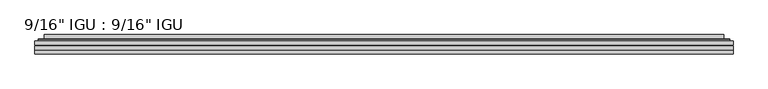
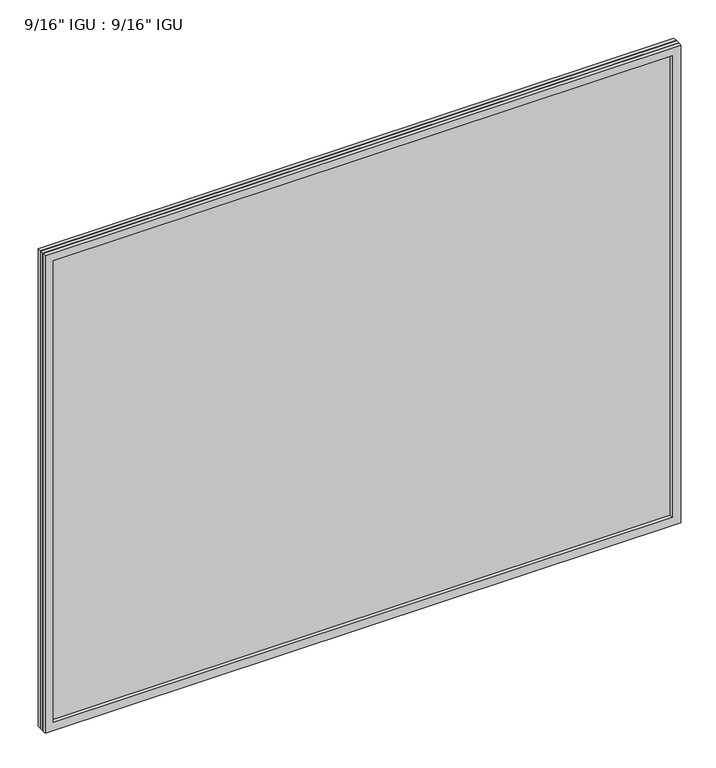
"""IFC4 building model written with IfcOpenShell, lengths in millimetres: plate geometry."""

from ifc_helpers import new_model, si_unit, frame, origin, place, context, project, spatial, polyline, ellipse_curve, outline, extrude, faceted_brep, source, transform, mapped, element, save
from ifc_brep_helpers import plane_surface, cylinder_surface, advanced_brep


def plate_25207ff6(model_context):
    return source(origin(), model_context, "Body", "SolidModel", [
        extrude(outline(polyline([(547.70485, -54.78145), (547.70485, -61.1317818), (-547.690675, -61.1317818), (-547.690675, -54.78145), (547.70485, -54.78145)])), frame((0.0, 0.0, -14.2875), z_axis=(0.0, 0.0, 1.0), x_axis=(1.0, 0.0, 0.0)), (0.0, 0.0, 1.0), 869.9537979),
        extrude(outline(polyline([(-547.690675, -69.05625), (-547.690675, -62.705745), (547.70485, -62.705745), (547.70485, -69.05625), (-547.690675, -69.05625)])), frame((0.0, 0.0, -14.2875), z_axis=(0.0, 0.0, 1.0), x_axis=(1.0, 0.0, 0.0)), (0.0, 0.0, 1.0), 869.9537979),
        faceted_brep([(-547.703375, -75.40625, 855.6752), (-547.703375, -69.05625, 855.6752), (-547.703375, -69.05625, -14.3002), (-547.703375, -75.40625, -14.3002), (547.703375, -69.05625, -14.3002), (547.703375, -75.40625, -14.3002), (547.703375, -69.05625, 855.6752), (547.703375, -75.40625, 855.6752), (-532.5054309, -69.05625, 0.8977441), (532.5054309, -69.05625, 0.8977441), (532.5054309, -69.05625, 840.4772559), (-532.5054309, -69.05625, 840.4772559), (-533.3978652, -75.40625, 841.3696902), (533.3978652, -75.40625, 841.3696902), (533.3978652, -75.40625, 0.0053098), (-533.3978652, -75.40625, 0.0053098)], [[[0, 1, 2, 3]], [[3, 2, 4, 5]], [[5, 4, 6, 7]], [[1, 6, 4, 2], [8, 9, 10, 11]], [[7, 6, 1, 0]], [[3, 5, 7, 0], [12, 13, 14, 15]], [[11, 12, 15, 8]], [[8, 15, 14, 9]], [[9, 14, 13, 10]], [[10, 13, 12, 11]]]),
        advanced_brep(
        [(-540.449394, -54.78145, 848.421219), (-542.8035994, -52.7917833, 850.7754244), (-542.8035994, -52.7917833, -9.4004244), (-540.449394, -54.78145, -7.046219), (-531.3750689, -50.941413, 839.3468939), (-526.4402371, -54.78145, 834.4120621), (-526.4402371, -54.78145, 6.9629379), (-531.3750689, -50.941413, 2.0281061), (-532.4070967, -45.5441819, 840.3789217), (-532.4070967, -45.5441819, 0.9960783), (-533.3977534, -45.1452069, 841.3695784), (-533.3977534, -45.1452069, 0.0054216), (-533.3977534, -51.60645, 841.3695784), (-533.3977534, -51.60645, 0.0054216), (-541.8018099, -51.60645, 849.7736349), (-541.8018099, -51.60645, -8.3986349), (542.8035994, -52.7917833, -9.4004244), (540.449394, -54.78145, -7.046219), (526.4402371, -54.78145, 6.9629379), (531.3750689, -50.941413, 2.0281061), (532.4070967, -45.5441819, 0.9960783), (533.3977534, -45.1452069, 0.0054216), (533.3977534, -51.60645, 0.0054216), (541.8018099, -51.60645, -8.3986349), (542.8035994, -52.7917833, 850.7754244), (540.449394, -54.78145, 848.421219), (526.4402371, -54.78145, 834.4120621), (531.3750689, -50.941413, 839.3468939), (532.4070967, -45.5441819, 840.3789217), (533.3977534, -45.1452069, 841.3695784), (533.3977534, -51.60645, 841.3695784), (541.8018099, -51.60645, 849.7736349)],
        [
            (0, 1, ellipse_curve(frame((-540.449394, -52.39385, 848.421219), z_axis=(-0.7071067811865475, 0.0, -0.7071067811865475), x_axis=(-0.7071067811865474, 0.0, 0.7071067811865476)), 3.3765763, 2.3876)),
            (1, 2),
            (2, 3, ellipse_curve(frame((-540.449394, -52.39385, -7.046219), z_axis=(-0.7071067811865475, 0.0, 0.7071067811865475), x_axis=(0.7071067811865474, 0.0, 0.7071067811865476)), 3.3765763, 2.3876)),
            (3, 0),
            (4, 5),
            (5, 6),
            (6, 7),
            (7, 4),
            (8, 4),
            (7, 9),
            (9, 8),
            (10, 8, ellipse_curve(frame((-533.0307969, -45.6634423, 841.0026219), z_axis=(-0.7071067811865475, 0.0, -0.7071067811865475), x_axis=(-0.7071067811865474, 0.0, 0.7071067811865476)), 0.8980256, 0.635)),
            (9, 11, ellipse_curve(frame((-533.0307969, -45.6634423, 0.3723781), z_axis=(-0.7071067811865475, 0.0, 0.7071067811865475), x_axis=(0.7071067811865474, 0.0, 0.7071067811865476)), 0.8980256, 0.635)),
            (11, 10),
            (12, 10),
            (11, 13),
            (13, 12),
            (1, 14, ellipse_curve(frame((-541.8018099, -52.62245, 849.7736349), z_axis=(-0.7071067811865475, 0.0, -0.7071067811865475), x_axis=(-0.7071067811865474, 0.0, 0.7071067811865476)), 1.436841, 1.016)),
            (14, 15),
            (15, 2, ellipse_curve(frame((-541.8018099, -52.62245, -8.3986349), z_axis=(-0.7071067811865475, 0.0, 0.7071067811865475), x_axis=(0.7071067811865474, 0.0, 0.7071067811865476)), 1.436841, 1.016)),
            (2, 16),
            (16, 17, ellipse_curve(frame((540.449394, -52.39385, -7.046219), z_axis=(-0.7071067811865475, 0.0, -0.7071067811865475), x_axis=(-0.7071067811865476, 0.0, 0.7071067811865474)), 3.3765763, 2.3876)),
            (17, 3),
            (6, 18),
            (18, 19),
            (19, 7),
            (19, 20),
            (20, 9),
            (20, 21, ellipse_curve(frame((533.0307969, -45.6634423, 0.3723781), z_axis=(-0.7071067811865475, 0.0, -0.7071067811865475), x_axis=(-0.7071067811865476, 0.0, 0.7071067811865474)), 0.8980256, 0.635)),
            (21, 11),
            (21, 22),
            (22, 13),
            (15, 23),
            (23, 16, ellipse_curve(frame((541.8018099, -52.62245, -8.3986349), z_axis=(-0.7071067811865475, 0.0, -0.7071067811865475), x_axis=(-0.7071067811865476, 0.0, 0.7071067811865474)), 1.436841, 1.016)),
            (16, 24),
            (24, 25, ellipse_curve(frame((540.449394, -52.39385, 848.421219), z_axis=(0.7071067811865475, 0.0, -0.7071067811865475), x_axis=(-0.7071067811865474, 0.0, -0.7071067811865476)), 3.3765763, 2.3876)),
            (25, 17),
            (18, 26),
            (26, 27),
            (27, 19),
            (27, 28),
            (28, 20),
            (28, 29, ellipse_curve(frame((533.0307969, -45.6634423, 841.0026219), z_axis=(0.7071067811865475, 0.0, -0.7071067811865475), x_axis=(-0.7071067811865474, 0.0, -0.7071067811865476)), 0.8980256, 0.635)),
            (29, 21),
            (29, 30),
            (30, 22),
            (23, 31),
            (31, 24, ellipse_curve(frame((541.8018099, -52.62245, 849.7736349), z_axis=(0.7071067811865475, 0.0, -0.7071067811865475), x_axis=(-0.7071067811865474, 0.0, -0.7071067811865476)), 1.436841, 1.016)),
            (24, 1),
            (0, 25),
            (5, 26),
            (4, 27),
            (8, 28),
            (10, 29),
            (12, 30),
            (14, 31),
        ],
        [
            cylinder_surface(frame((-540.449394, -52.39385, 873.125), z_axis=(0.0, 0.0, 1.0), x_axis=(-1.0, 0.0, 0.0)), 2.3876),
            plane_surface(frame((-526.4402371, -54.78145, 834.4120621), z_axis=(0.6141233906514794, 0.7892100234124821, 0.0), x_axis=(0.0, 0.0, -1.0))),
            plane_surface(frame((-531.3750689, -50.941413, 839.3468939), z_axis=(0.9822050625507728, 0.18781164793386088, 0.0), x_axis=(0.0, 0.0, -1.0))),
            cylinder_surface(frame((-533.0307969, -45.6634423, 873.125), z_axis=(0.0, 0.0, 1.0), x_axis=(-1.0, 0.0, 0.0)), 0.635),
            plane_surface(frame((-533.3977534, -45.1452069, 841.3695784), z_axis=(-1.0, 0.0, 0.0), x_axis=(0.0, 0.0, -1.0))),
            cylinder_surface(frame((-541.8018099, -52.62245, 873.125), z_axis=(0.0, 0.0, 1.0), x_axis=(-1.0, 0.0, 0.0)), 1.016),
            cylinder_surface(frame((-565.153175, -52.39385, -7.046219), z_axis=(-1.0, 0.0, 0.0), x_axis=(0.0, 0.0, -1.0)), 2.3876),
            plane_surface(frame((-526.4402371, -54.78145, 6.9629379), z_axis=(0.0, 0.7892100234124841, 0.6141233906514768), x_axis=(1.0, 0.0, 0.0))),
            plane_surface(frame((-531.3750689, -50.941413, 2.0281061), z_axis=(0.0, 0.18781164793386404, 0.9822050625507722), x_axis=(1.0, 0.0, 0.0))),
            cylinder_surface(frame((-565.153175, -45.6634423, 0.3723781), z_axis=(-1.0, 0.0, 0.0), x_axis=(0.0, 0.0, -1.0)), 0.635),
            plane_surface(frame((-533.3977534, -45.1452069, 0.0054216), z_axis=(0.0, 0.0, -1.0), x_axis=(1.0, 0.0, 0.0))),
            cylinder_surface(frame((-565.153175, -52.62245, -8.3986349), z_axis=(-1.0, 0.0, 0.0), x_axis=(0.0, 0.0, -1.0)), 1.016),
            cylinder_surface(frame((540.449394, -52.39385, -31.75), z_axis=(0.0, 0.0, -1.0), x_axis=(1.0, 0.0, 0.0)), 2.3876),
            plane_surface(frame((526.4402371, -54.78145, 6.9629379), z_axis=(-0.6141233906514743, 0.7892100234124861, 0.0), x_axis=(0.0, 0.0, 1.0))),
            plane_surface(frame((531.3750689, -50.941413, 2.0281061), z_axis=(-0.9822050625507717, 0.1878116479338672, 0.0), x_axis=(0.0, 0.0, 1.0))),
            cylinder_surface(frame((533.0307969, -45.6634423, -31.75), z_axis=(0.0, 0.0, -1.0), x_axis=(1.0, 0.0, 0.0)), 0.635),
            plane_surface(frame((533.3977534, -45.1452069, 0.0054216), z_axis=(1.0, 0.0, 0.0), x_axis=(0.0, 0.0, 1.0))),
            cylinder_surface(frame((541.8018099, -52.62245, -31.75), z_axis=(0.0, 0.0, -1.0), x_axis=(1.0, 0.0, 0.0)), 1.016),
            cylinder_surface(frame((565.153175, -52.39385, 848.421219), z_axis=(1.0, 0.0, 0.0), x_axis=(0.0, 0.0, 1.0)), 2.3876),
            plane_surface(frame((540.449394, -54.78145, 848.421219), z_axis=(0.0, -1.0, 0.0), x_axis=(-1.0, 0.0, 0.0))),
            plane_surface(frame((526.4402371, -54.78145, 834.4120621), z_axis=(0.0, 0.7892100234124841, -0.6141233906514768), x_axis=(-1.0, 0.0, 0.0))),
            plane_surface(frame((531.3750689, -50.941413, 839.3468939), z_axis=(0.0, 0.18781164793386404, -0.9822050625507722), x_axis=(-1.0, 0.0, 0.0))),
            cylinder_surface(frame((565.153175, -45.6634423, 841.0026219), z_axis=(1.0, 0.0, 0.0), x_axis=(0.0, 0.0, 1.0)), 0.635),
            plane_surface(frame((533.3977534, -45.1452069, 841.3695784), z_axis=(0.0, 0.0, 1.0), x_axis=(-1.0, 0.0, 0.0))),
            plane_surface(frame((533.3977534, -51.60645, 841.3695784), z_axis=(0.0, 1.0, 0.0), x_axis=(-1.0, 0.0, 0.0))),
            cylinder_surface(frame((565.153175, -52.62245, 849.7736349), z_axis=(1.0, 0.0, 0.0), x_axis=(0.0, 0.0, 1.0)), 1.016),
        ],
        [
            (0, [[1, 2, 3, 4]]),
            (1, [[5, 6, 7, 8]]),
            (2, [[9, -8, 10, 11]]),
            (3, [[12, -11, 13, 14]]),
            (4, [[15, -14, 16, 17]]),
            (5, [[18, 19, 20, -2]]),
            (6, [[-3, 21, 22, 23]]),
            (7, [[-7, 24, 25, 26]]),
            (8, [[-10, -26, 27, 28]]),
            (9, [[-13, -28, 29, 30]]),
            (10, [[-16, -30, 31, 32]]),
            (11, [[-20, 33, 34, -21]]),
            (12, [[-22, 35, 36, 37]]),
            (13, [[-25, 38, 39, 40]]),
            (14, [[-27, -40, 41, 42]]),
            (15, [[-29, -42, 43, 44]]),
            (16, [[-31, -44, 45, 46]]),
            (17, [[-34, 47, 48, -35]]),
            (18, [[-36, 49, -1, 50]]),
            (19, [[-23, -37, -50, -4], [51, -38, -24, -6]]),
            (20, [[-39, -51, -5, 52]]),
            (21, [[-41, -52, -9, 53]]),
            (22, [[-43, -53, -12, 54]]),
            (23, [[-45, -54, -15, 55]]),
            (24, [[56, -47, -33, -19], [-32, -46, -55, -17]]),
            (25, [[-48, -56, -18, -49]]),
        ],
    ),
    ])


if __name__ == "__main__":
    model = new_model("IFC4")
    model_context = context("Model", 3, world=origin())
    ifc_project = project(units=[si_unit("LENGTHUNIT", "METRE", prefix="MILLI")], contexts=[model_context])
    site = spatial("IfcSite", under=ifc_project)
    building = spatial("IfcBuilding", under=site)
    placement = place(None, origin())
    plate_shape = plate_25207ff6(model_context)
    element("IfcPlate", 1, ObjectType="9/16\" IGU : 9/16\" IGU", at=placement, inside=building, context=model_context, shape_type="MappedRepresentation", body=[
        mapped(plate_shape, transform((0.0, 0.0, 0.0), x_axis=(1.0, 0.0, 0.0), y_axis=(0.0, 1.0, 0.0), z_axis=(0.0, 0.0, 1.0))),
    ])
    save(model, "model.ifc")
